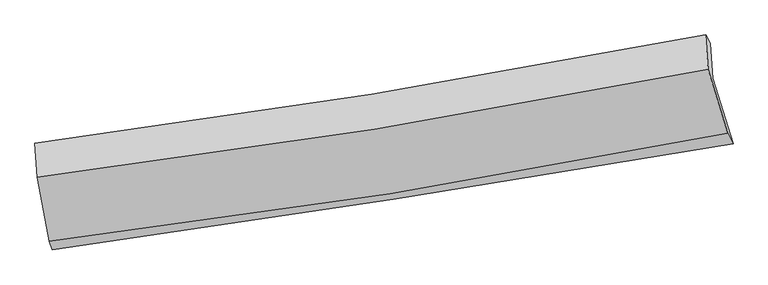
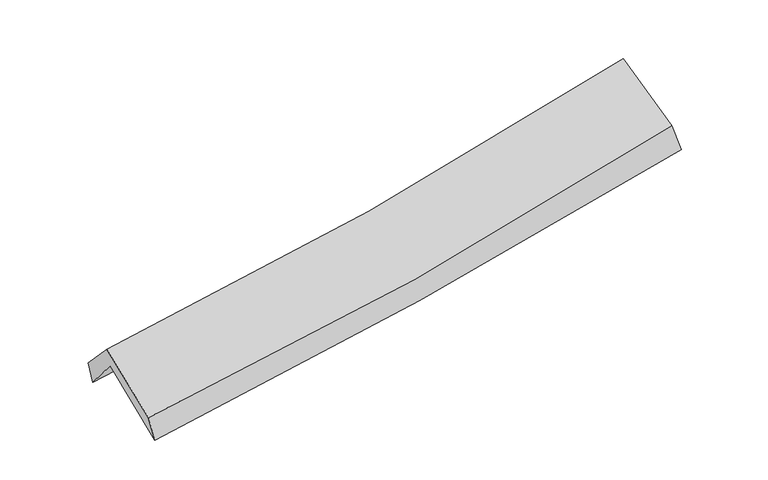
"""IFC4 building model written with IfcOpenShell, lengths in millimetres: proxy geometry."""

from ifc_helpers import new_model, si_unit, frame, origin, place, context, project, spatial, source, transform, mapped, element, save
from ifc_brep_helpers import plane_surface, spline_curve, spline_surface, advanced_brep


def generic_models_6d1f594d(model_context):
    return source(origin(), model_context, "Body", "AdvancedBrep", [
        advanced_brep(
        [(-2522.3017655, -2504.9555412, 1481.4070067), (-2622.8548081, -1983.1794995, 1913.3442701), (2554.0711803, -1185.595747, 2362.5074217), (2711.5938942, -1692.6283212, 1938.3660198), (-2636.9670316, -1729.8447136, 1604.033034), (2535.321802, -917.3070588, 2065.6355014), (-2654.1068, -1687.2210837, 1772.7900863), (2499.7341107, -854.3824757, 2247.6958124), (-2636.8249583, -1949.9588934, 2054.0170104), (2519.1710777, -1116.7498383, 2529.1278164), (-2543.312329, -2440.5755529, 1663.360224), (2670.5513186, -1611.1741282, 2133.4911685)],
        [
            (0, 1),
            (1, 2, spline_curve(3, [(-2622.8548081, -1983.1794995, 1913.3442701), (-1755.436418438, -1865.193682722, 1955.307545026), (-890.376369231, -1739.74573871, 2013.711955684), (835.266938798, -1473.888638556, 2163.423861522), (1695.84888554, -1333.475331635, 2254.740501113), (2554.0711803, -1185.595747, 2362.5074217)], [4, 2, 4], [0.0, 8.673222516164502, 17.348856784280088])),
            (2, 3),
            (3, 0, spline_curve(3, [(2711.5938942, -1692.6283212, 1938.3660198), (1843.744429702, -1839.622374013, 1831.489897723), (973.600774295, -1980.821940583, 1739.968759405), (-771.032387653, -2251.594459366, 1587.657624133), (-1645.520618833, -2381.170632938, 1526.859091454), (-2522.3017655, -2504.9555412, 1481.4070067)], [4, 2, 4], [0.0, 8.675634268115585, 17.348856784280088])),
            (1, 4),
            (4, 5, spline_curve(3, [(-2636.9670316, -1729.8447136, 1604.033034), (-1768.542995355, -1618.534829685, 1649.033243618), (-903.366375019, -1495.179503955, 1709.992654531), (820.731708977, -1224.340318926, 1863.851266729), (1679.651366688, -1076.849759477, 1956.759345292), (2535.321802, -917.3070588, 2065.6355014)], [4, 2, 4], [0.0, 8.62429606287813, 17.250990272790723])),
            (5, 2),
            (4, 6),
            (6, 7, spline_curve(3, [(-2654.1068, -1687.2210837, 1772.7900863), (-1787.961435421, -1576.012476271, 1820.793253275), (-925.46120909, -1451.016520101, 1884.362648191), (792.487788832, -1173.411319402, 2042.655898951), (1647.934532481, -1020.794406398, 2137.388412618), (2499.7341107, -854.3824757, 2247.6958124)], [4, 2, 4], [0.0, 8.612417251996927, 17.227229347902487])),
            (7, 5),
            (6, 8),
            (8, 9, spline_curve(3, [(-2636.8249583, -1949.9588934, 2054.0170104), (-1770.137005199, -1840.976214115, 2104.488422785), (-907.185902797, -1717.062514782, 2169.309196974), (811.481521211, -1439.334467844, 2327.671484565), (1667.195764073, -1285.511815349, 2421.220978844), (2519.1710777, -1116.7498383, 2529.1278164)], [4, 2, 4], [0.0, 8.603061077597323, 17.208514397443764])),
            (9, 7),
            (8, 10),
            (10, 11, spline_curve(3, [(-2543.312329, -2440.5755529, 1663.360224), (-1665.815236876, -2335.657345746, 1710.120328117), (-792.637853252, -2214.093379585, 1772.670317441), (945.3190984, -1937.635496613, 1929.371849428), (1810.096264178, -1782.732321328, 2023.53217524), (2670.5513186, -1611.1741282, 2133.4911685)], [4, 2, 4], [0.0, 8.65097189833144, 17.30434936141297])),
            (11, 9),
            (10, 0),
            (3, 11),
        ],
        [
            spline_surface(3, 3, [[(-2522.3017655, -2504.9555412, 1481.4070067), (-1645.520618886, -2381.170632887, 1526.859091464), (-771.032387634, -2251.594459375, 1587.657624218), (973.600774276, -1980.821940573, 1739.96875932), (1843.744429611, -1839.622374064, 1831.489897619), (2711.5938942, -1692.6283212, 1938.3660198)], [(-2555.819446382, -2331.030193988, 1625.386094498), (-1682.159218732, -2209.178316185, 1669.67524263), (-810.813714808, -2080.978219194, 1729.675734732), (927.489495759, -1811.844173227, 1881.120460043), (1794.445914949, -1670.906693246, 1972.573432165), (2659.086322899, -1523.617463135, 2079.746487108)], [(-2589.337127218, -2157.104846712, 1769.365182302), (-1718.797818533, -2037.185999419, 1812.491393802), (-850.595041983, -1910.361978963, 1871.693845224), (881.378217241, -1642.866405831, 2022.272160744), (1745.147400291, -1502.191012423, 2113.656966688), (2606.578751601, -1354.606605065, 2221.126954392)], [(-2622.8548081, -1983.1794995, 1913.3442701), (-1755.436418379, -1865.193682717, 1955.307544969), (-890.376369157, -1739.745738781, 2013.711955738), (835.266938724, -1473.888638484, 2163.423861468), (1695.848885629, -1333.475331605, 2254.740501234), (2554.0711803, -1185.595747, 2362.5074217)]], [4, 4], [4, 2, 4], [0.0, 2.216680029871896], [0.0, 8.673222516164502, 17.348856784280088]),
            spline_surface(3, 3, [[(-2622.8548081, -1983.1794995, 1913.3442701), (-1755.436418379, -1865.193682717, 1955.307544969), (-890.376369157, -1739.745738781, 2013.711955738), (835.266938724, -1473.888638484, 2163.423861468), (1695.848885629, -1333.475331605, 2254.740501234), (2554.0711803, -1185.595747, 2362.5074217)], [(-2627.558882576, -1898.734570841, 1810.240524747), (-1759.805277341, -1782.97406498, 1853.21611121), (-894.706371108, -1658.22366049, 1912.472188627), (830.421862184, -1390.705865267, 2063.566329912), (1690.449712651, -1247.933474248, 2155.413449233), (2547.821387541, -1096.166184256, 2263.550114954)], [(-2632.262957124, -1814.289642259, 1707.136779353), (-1764.174136374, -1700.754447321, 1751.12467741), (-899.036373127, -1576.701582269, 1811.232421543), (825.576785576, -1307.523092121, 1963.708798384), (1685.050539648, -1162.391616922, 2056.086397169), (2541.571594759, -1006.736621544, 2164.592808146)], [(-2636.9670316, -1729.8447136, 1604.033034), (-1768.542995336, -1618.534829585, 1649.033243651), (-903.366375079, -1495.179503978, 1709.992654432), (820.731709036, -1224.340318903, 1863.851266828), (1679.65136667, -1076.849759564, 1956.759345168), (2535.321802, -917.3070588, 2065.6355014)]], [4, 4], [4, 2, 4], [0.0, 1.2800195330429966], [0.0, 8.62429606287813, 17.250990272790723]),
            spline_surface(3, 3, [[(-2636.9670316, -1729.8447136, 1604.033034), (-1768.542995336, -1618.534829585, 1649.033243651), (-903.366375079, -1495.179503978, 1709.992654432), (820.731709036, -1224.340318903, 1863.851266828), (1679.65136667, -1076.849759564, 1956.759345168), (2535.321802, -917.3070588, 2065.6355014)], [(-2642.680287727, -1715.636836968, 1660.285384756), (-1775.015808711, -1604.360711795, 1706.286580226), (-910.731319711, -1480.458509364, 1768.115985722), (811.317068932, -1207.36398578, 1923.452810835), (1669.079088612, -1058.164641799, 2016.969034316), (2523.459238238, -896.332197767, 2126.322271727)], [(-2648.393543873, -1701.428960332, 1716.537735544), (-1781.488622105, -1590.186594003, 1763.539916832), (-918.096264347, -1465.737514666, 1826.239317008), (801.902428825, -1190.387652574, 1983.054354837), (1658.506810538, -1039.479524033, 2077.178723483), (2511.596674462, -875.357336733, 2187.009042073)], [(-2654.1068, -1687.2210837, 1772.7900863), (-1787.96143548, -1576.012476213, 1820.793253407), (-925.461208979, -1451.016520052, 1884.362648299), (792.48778872, -1173.411319451, 2042.655898843), (1647.93453248, -1020.794406267, 2137.388412631), (2499.7341107, -854.3824757, 2247.6958124)]], [4, 4], [4, 2, 4], [0.0, 0.605646493905055], [0.0, 8.612417251996927, 17.227229347902487]),
            spline_surface(3, 3, [[(-2654.1068, -1687.2210837, 1772.7900863), (-1787.96143548, -1576.012476213, 1820.793253407), (-925.461208979, -1451.016520052, 1884.362648299), (792.48778872, -1173.411319451, 2042.655898843), (1647.93453248, -1020.794406267, 2137.388412631), (2499.7341107, -854.3824757, 2247.6958124)], [(-2648.346186112, -1774.800353604, 1866.532394329), (-1782.019958712, -1664.333722155, 1915.358309854), (-919.369440249, -1539.69851825, 1979.344831222), (798.819032823, -1262.052368903, 2137.661094038), (1654.354942991, -1109.033542675, 2231.999268008), (2506.213099696, -941.838263238, 2341.506480405)], [(-2642.585572188, -1862.379623496, 1960.274702371), (-1776.078481906, -1752.654968086, 2009.923366313), (-913.277671432, -1628.380516534, 2074.327014166), (805.150277014, -1350.693418441, 2232.666289254), (1660.775353514, -1197.272679068, 2326.610123369), (2512.692088704, -1029.294050762, 2435.317148395)], [(-2636.8249583, -1949.9588934, 2054.0170104), (-1770.137005138, -1840.976214028, 2104.488422759), (-907.185902703, -1717.062514733, 2169.30919709), (811.481521117, -1439.334467893, 2327.671484449), (1667.195764026, -1285.511815476, 2421.220978746), (2519.1710777, -1116.7498383, 2529.1278164)]], [4, 4], [4, 2, 4], [0.0, 1.2804073891921797], [0.0, 8.603061077597323, 17.208514397443764]),
            spline_surface(3, 3, [[(-2636.8249583, -1949.9588934, 2054.0170104), (-1770.137005138, -1840.976214028, 2104.488422759), (-907.185902703, -1717.062514733, 2169.30919709), (811.481521117, -1439.334467893, 2327.671484449), (1667.195764026, -1285.511815476, 2421.220978746), (2519.1710777, -1116.7498383, 2529.1278164)], [(-2605.654081865, -2113.497779898, 1923.798081606), (-1735.363082377, -2005.869924642, 1973.03239122), (-869.003219568, -1882.739469681, 2037.096237158), (856.094046937, -1605.434810809, 2194.904939482), (1714.829264094, -1451.251984102, 2288.658044215), (2569.631157998, -1281.557934936, 2397.248933739)], [(-2574.483205435, -2277.036666402, 1793.579152794), (-1700.589159621, -2170.763635261, 1841.576359663), (-830.820536499, -2048.416424619, 1904.88327724), (900.706572692, -1771.535153714, 2062.138394528), (1762.462764167, -1616.992152721, 2156.095109768), (2620.091238302, -1446.366031564, 2265.370051161)], [(-2543.312329, -2440.5755529, 1663.360224), (-1665.81523686, -2335.657345875, 1710.120328123), (-792.637853364, -2214.093379568, 1772.670317309), (945.319098512, -1937.63549663, 1929.37184956), (1810.096264235, -1782.732321348, 2023.532175237), (2670.5513186, -1611.1741282, 2133.4911685)]], [4, 4], [4, 2, 4], [0.0, 2.128954388340549], [0.0, 8.65097189833144, 17.30434936141297]),
            spline_surface(3, 3, [[(-2543.312329, -2440.5755529, 1663.360224), (-1665.81523686, -2335.657345875, 1710.120328123), (-792.637853364, -2214.093379568, 1772.670317309), (945.319098512, -1937.63549663, 1929.37184956), (1810.096264235, -1782.732321348, 2023.532175237), (2670.5513186, -1611.1741282, 2133.4911685)], [(-2536.308807838, -2462.035549002, 1602.709151563), (-1659.050364206, -2350.828441548, 1649.033249233), (-785.43603147, -2226.593739508, 1710.999419624), (954.746323751, -1952.030977948, 1866.237486159), (1821.312319355, -1801.695672254, 1959.518082698), (2684.232177127, -1638.325525868, 2068.449452267)], [(-2529.305286662, -2483.495545098, 1542.058079137), (-1652.285491539, -2365.999537215, 1587.946170354), (-778.234209528, -2239.094099435, 1649.328521903), (964.173549038, -1966.426459254, 1803.103122722), (1832.528374492, -1820.659023158, 1895.503990158), (2697.913035673, -1665.476923532, 2003.407736033)], [(-2522.3017655, -2504.9555412, 1481.4070067), (-1645.520618886, -2381.170632887, 1526.859091464), (-771.032387634, -2251.594459375, 1587.657624218), (973.600774276, -1980.821940573, 1739.96875932), (1843.744429611, -1839.622374064, 1831.489897619), (2711.5938942, -1692.6283212, 1938.3660198)]], [4, 4], [4, 2, 4], [0.0, 0.6336093894679404], [0.0, 8.709059500840933, 17.420540718777687]),
            plane_surface(frame((2581.7405639, -1229.6395949, 2212.8039567), z_axis=(0.9721066200165533, 0.2012372169687427, 0.1204670155132409), x_axis=(0.23250785560913292, -0.7593958810502976, -0.6076660208732135))),
            plane_surface(frame((-2602.7279487, -2049.289214, 1748.1586052), z_axis=(-0.9885312602083709, -0.13577919834068852, -0.06610564944700545), x_axis=(-0.10821966763121346, 0.33160371644181463, 0.9371912711820178))),
        ],
        [
            (0, [[1, 2, 3, 4]]),
            (1, [[5, 6, 7, -2]]),
            (2, [[8, 9, 10, -6]]),
            (3, [[11, 12, 13, -9]]),
            (4, [[14, 15, 16, -12]]),
            (5, [[17, -4, 18, -15]]),
            (6, [[-16, -18, -3, -7, -10, -13]]),
            (7, [[-17, -14, -11, -8, -5, -1]]),
        ],
    ),
    ])


if __name__ == "__main__":
    model = new_model("IFC4")
    model_context = context("Model", 3, world=origin())
    ifc_project = project(units=[si_unit("LENGTHUNIT", "METRE", prefix="MILLI")], contexts=[model_context])
    site = spatial("IfcSite", under=ifc_project)
    building = spatial("IfcBuilding", under=site)
    placement = place(None, origin())
    generic_models_shape = generic_models_6d1f594d(model_context)
    element("IfcBuildingElementProxy", 1, Name="Generic Models", at=placement, inside=building, context=model_context, shape_type="MappedRepresentation", body=[
        mapped(generic_models_shape, transform((0.0, 0.0, 0.0), x_axis=(1.0, 0.0, 0.0), y_axis=(0.0, 1.0, 0.0), z_axis=(0.0, 0.0, 1.0))),
    ])
    save(model, "model.ifc")
